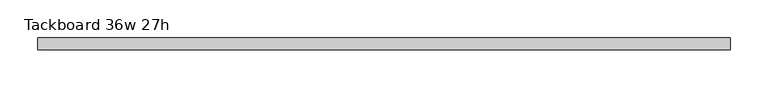
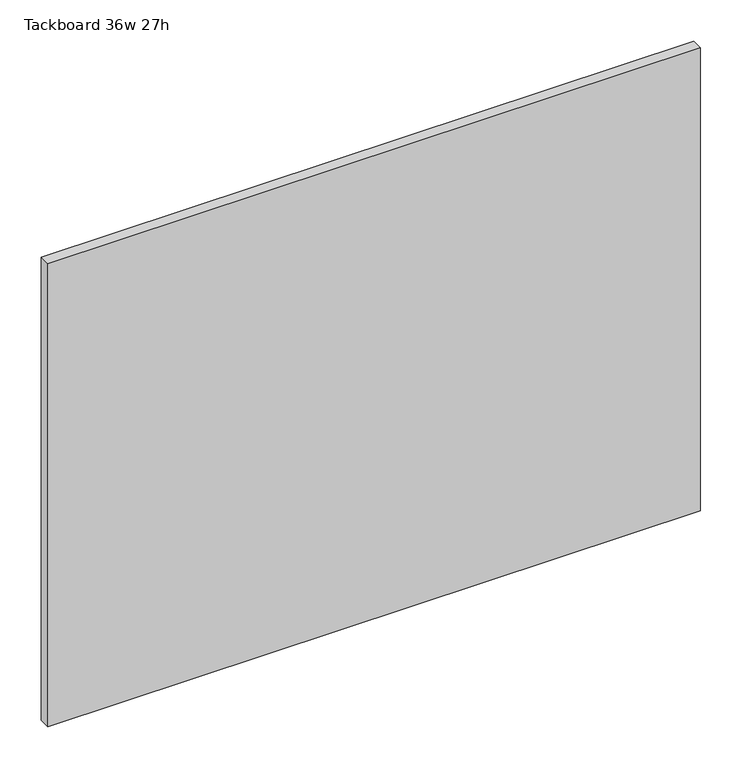
"""IFC4 building model written with IfcOpenShell, lengths in millimetres: furniture geometry, Tackboard 36w 27h."""

from ifc_helpers import new_model, si_unit, frame, origin, place, context, project, spatial, polyline, outline, extrude, source, transform, mapped, element, save


def tackboard_36w_27h_85c34edb(model_context):
    return source(origin(), model_context, "Body", "SweptSolid", [
        extrude(outline(polyline([(459.6402902, -28.8968594), (-454.7597098, -28.8968594), (-454.7597098, -13.0218594), (459.6402902, -13.0218594), (459.6402902, -28.8968594)])), frame((0.0, 0.0, 1066.8), z_axis=(0.0, 0.0, 1.0), x_axis=(1.0, 0.0, 0.0)), (0.0, 0.0, 1.0), 685.8),
    ])


if __name__ == "__main__":
    model = new_model("IFC4")
    model_context = context("Model", 3, world=origin())
    ifc_project = project(units=[si_unit("LENGTHUNIT", "METRE", prefix="MILLI")], contexts=[model_context])
    site = spatial("IfcSite", under=ifc_project)
    building = spatial("IfcBuilding", under=site)
    placement = place(None, origin())
    tackboard_36w_27h_shape = tackboard_36w_27h_85c34edb(model_context)
    element("IfcFurniture", 1, ObjectType="Tackboard 36w 27h", at=placement, inside=building, context=model_context, shape_type="MappedRepresentation", body=[
        mapped(tackboard_36w_27h_shape, transform((0.0, 0.0, 0.0), x_axis=(1.0, 0.0, 0.0), y_axis=(0.0, 1.0, 0.0), z_axis=(0.0, 0.0, 1.0))),
    ])
    save(model, "model.ifc")
